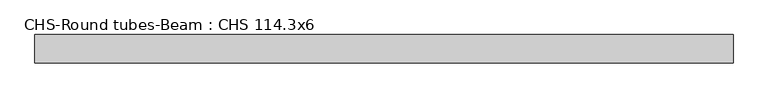
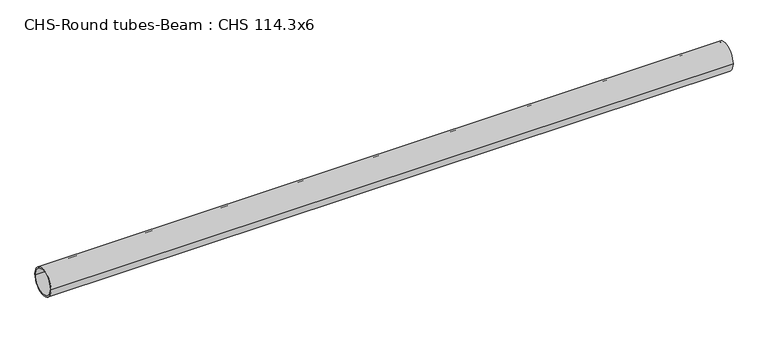
"""IFC4 building model written with IfcOpenShell, lengths in millimetres: beam geometry, CHS-Round tubes-Beam : CHS 114.3x6."""

from ifc_helpers import new_model, si_unit, point, frame, origin, origin_2d, place, context, project, spatial, circle_curve, trimmed, segment, composite_curve, outline, extrude, source, transform, mapped, element, save


def chs_round_tubes_beam_chs_114_3x6_99125dfc(model_context):
    return source(origin(), model_context, "Body", "SweptSolid", [
        extrude(outline(composite_curve([segment(trimmed(circle_curve(origin_2d(), 57.15), [point((57.15, 0.0))], [point((-57.15, 0.0))], False, "CARTESIAN"), True, "CONTINUOUS"), segment(trimmed(circle_curve(origin_2d(), 57.15), [point((-57.15, 0.0))], [point((57.15, 0.0))], False, "CARTESIAN"), True, "CONTINUOUS")], self_intersect=False), holes=[composite_curve([segment(trimmed(circle_curve(origin_2d(), 51.15), [point((51.15, 0.0))], [point((-51.15, 0.0))], True, "CARTESIAN"), True, "CONTINUOUS"), segment(trimmed(circle_curve(origin_2d(), 51.15), [point((-51.15, 0.0))], [point((51.15, 0.0))], True, "CARTESIAN"), True, "CONTINUOUS")], self_intersect=False)]), frame((-1410.8941207, 0.0, 0.0), z_axis=(1.0, 0.0, 0.0), x_axis=(0.0, 1.0, 0.0)), (0.0, 0.0, 1.0), 2806.9038799),
    ])


if __name__ == "__main__":
    model = new_model("IFC4")
    model_context = context("Model", 3, world=origin())
    ifc_project = project(units=[si_unit("LENGTHUNIT", "METRE", prefix="MILLI")], contexts=[model_context])
    site = spatial("IfcSite", under=ifc_project)
    building = spatial("IfcBuilding", under=site)
    placement = place(None, origin())
    chs_round_tubes_beam_chs_114_3x6_shape = chs_round_tubes_beam_chs_114_3x6_99125dfc(model_context)
    element("IfcBeam", 1, ObjectType="CHS-Round tubes-Beam : CHS 114.3x6", at=placement, inside=building, context=model_context, shape_type="MappedRepresentation", body=[
        mapped(chs_round_tubes_beam_chs_114_3x6_shape, transform((0.0, 0.0, 0.0), x_axis=(1.0, 0.0, 0.0), y_axis=(0.0, 1.0, 0.0), z_axis=(0.0, 0.0, 1.0))),
    ])
    save(model, "model.ifc")
